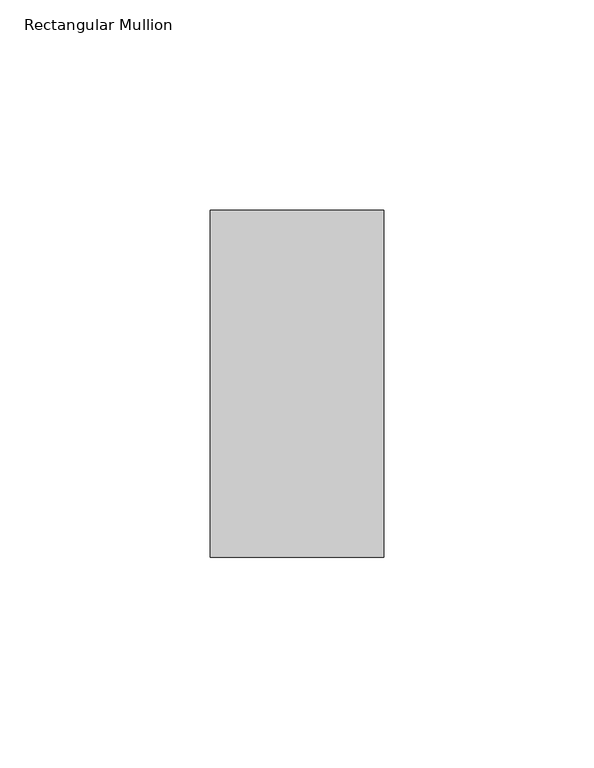
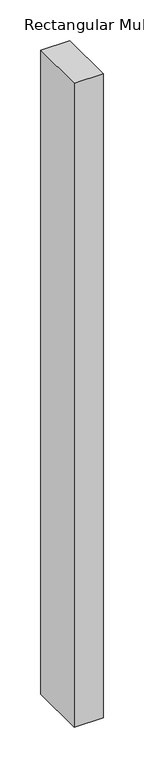
"""IFC4 building model written with IfcOpenShell, lengths in millimetres: member geometry, Rectangular Mullion."""

from ifc_helpers import new_model, si_unit, frame, origin, place, context, project, spatial, polyline, outline, extrude, source, transform, mapped, element, save


def rectangular_mullion_445e6d20(model_context):
    return source(origin(), model_context, "Body", "SweptSolid", [
        extrude(outline(polyline([(0.0, -73.025), (-41.275, -73.025), (-41.275, 9.525), (0.0, 9.525), (0.0, -73.025)])), frame((0.0, 0.0, -968.375), z_axis=(0.0, 0.0, 1.0), x_axis=(1.0, 0.0, 0.0)), (0.0, 0.0, 1.0), 968.375),
    ])


if __name__ == "__main__":
    model = new_model("IFC4")
    model_context = context("Model", 3, world=origin())
    ifc_project = project(units=[si_unit("LENGTHUNIT", "METRE", prefix="MILLI")], contexts=[model_context])
    site = spatial("IfcSite", under=ifc_project)
    building = spatial("IfcBuilding", under=site)
    placement = place(None, origin())
    rectangular_mullion_shape = rectangular_mullion_445e6d20(model_context)
    element("IfcMember", 1, ObjectType="Rectangular Mullion", at=placement, inside=building, context=model_context, shape_type="MappedRepresentation", body=[
        mapped(rectangular_mullion_shape, transform((0.0, 0.0, 0.0), x_axis=(1.0, 0.0, 0.0), y_axis=(0.0, 1.0, 0.0), z_axis=(0.0, 0.0, 1.0))),
    ])
    save(model, "model.ifc")
